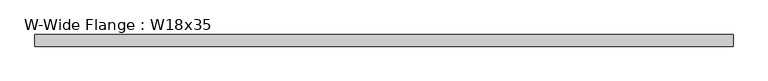
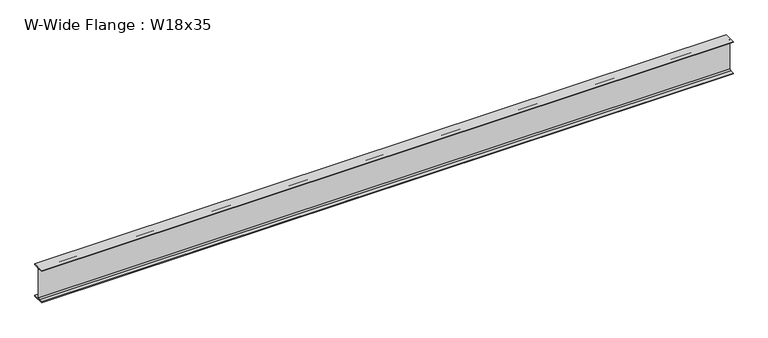
"""IFC4 building model written with IfcOpenShell, lengths in millimetres: beam geometry, W-Wide Flange : W18x35."""

import ifcopenshell
import ifcopenshell.guid

model = None  # the IFC model being written
_history = None  # IfcOwnerHistory: only IFC2X3 demands one
_inside = {}  # id of a spatial element -> (the spatial element, [elements in it])
_under = {}  # id of a project, library or spatial element -> (it, [spatial elements below it])
_declared = {}  # id of a project -> (the project, [libraries it declares])
_typed = {}  # id of a type object -> (the type object, [elements of that type])
_made_of = {}  # id of a material, layer set ... -> (it, [elements and type objects made of it])


def new_model(schema):
    """Start an empty IFC model of exactly this schema.

    Asked for "IFC4X3", IfcOpenShell would pick the latest addendum, in which some entities
    have other attributes; the version numbers below select the first issue.
    IFC2X3 requires an IfcOwnerHistory on every rooted entity: one is made here for all.
    """
    global model, _history
    if schema == "IFC4X3":
        model = ifcopenshell.file(schema_version=(4, 3, 0, 0))
    else:
        model = ifcopenshell.file(schema=schema)
    _inside.clear()
    _under.clear()
    _declared.clear()
    _typed.clear()
    _made_of.clear()
    _history = None
    if model.schema == "IFC2X3":
        org = make("IfcOrganization", Name="unknown")
        user = make(
            "IfcPersonAndOrganization",
            ThePerson=make("IfcPerson", FamilyName="unknown"),
            TheOrganization=org,
        )
        app = make(
            "IfcApplication",
            ApplicationDeveloper=org,
            Version="unknown",
            ApplicationFullName="unknown",
            ApplicationIdentifier="unknown",
        )
        _history = make(
            "IfcOwnerHistory",
            OwningUser=user,
            OwningApplication=app,
            ChangeAction="ADDED",
            CreationDate=0,
        )
    return model


def make(cls, **values):
    """One entity of the class cls with the attributes given. An attribute that is None is left unset."""
    return model.create_entity(
        cls, **{name: value for name, value in values.items() if value is not None}
    )


def rooted(cls, **values):
    """An entity with a GlobalId (a new one), such as an element, a storey or a relation."""
    return make(cls, GlobalId=ifcopenshell.guid.new(), OwnerHistory=_history, **values)


def si_unit(unit_type, name, prefix=None):
    """IfcSIUnit, for example si_unit("LENGTHUNIT", "METRE", prefix="MILLI")."""
    return make("IfcSIUnit", UnitType=unit_type, Prefix=prefix, Name=name)


def assignment(units):
    """IfcUnitAssignment: the units of a project."""
    return None if units is None else make("IfcUnitAssignment", Units=units)


def point(xyz):
    """IfcCartesianPoint."""
    return None if xyz is None else make("IfcCartesianPoint", Coordinates=xyz)


def direction(xyz):
    """IfcDirection."""
    return None if xyz is None else make("IfcDirection", DirectionRatios=xyz)


def frame(location, z_axis=None, x_axis=None):
    """IfcAxis2Placement3D, a coordinate frame: its origin and axes. An axis left out is left unset."""
    return make(
        "IfcAxis2Placement3D",
        Location=point(location),
        Axis=direction(z_axis),
        RefDirection=direction(x_axis),
    )


def frame_2d(location, x_axis=None):
    """IfcAxis2Placement2D, a coordinate frame in the plane: its origin and x axis."""
    return make(
        "IfcAxis2Placement2D", Location=point(location), RefDirection=direction(x_axis)
    )


def origin():
    """The frame at (0, 0, 0) with its axes left unset."""
    return frame((0.0, 0.0, 0.0))


def place(relative_to, where):
    """IfcLocalPlacement: puts the frame where relative to a parent placement (None: the world)."""
    return make(
        "IfcLocalPlacement", PlacementRelTo=relative_to, RelativePlacement=where
    )


def context(
    kind, dimensions, precision=None, world=None, true_north=None, identifier=None
):
    """IfcGeometricRepresentationContext, for example the 3D "Model" context."""
    return make(
        "IfcGeometricRepresentationContext",
        ContextIdentifier=identifier,
        ContextType=kind,
        CoordinateSpaceDimension=dimensions,
        Precision=precision,
        WorldCoordinateSystem=world,
        TrueNorth=true_north,
    )


def project(units=None, contexts=None):
    """IfcProject with its units and contexts."""
    return rooted(
        "IfcProject",
        Name="project",
        RepresentationContexts=contexts,
        UnitsInContext=assignment(units),
    )


def spatial(cls, under=None, at=None, **own):
    """A site, building, storey or space (cls), placed at a placement, below another one or the project."""
    s = rooted(cls, ObjectPlacement=at, **own)
    if under is not None:
        _under.setdefault(under.id(), (under, []))[1].append(s)
    return s


def polyline(points):
    """IfcPolyline through the points."""
    return make("IfcPolyline", Points=[point(p) for p in points])


def circle_curve(where, radius):
    """IfcCircle in the frame where."""
    return make("IfcCircle", Position=where, Radius=radius)


def trimmed(basis, trim1, trim2, sense, master):
    """IfcTrimmedCurve: the piece of a basis curve between two trims."""
    return make(
        "IfcTrimmedCurve",
        BasisCurve=basis,
        Trim1=trim1,
        Trim2=trim2,
        SenseAgreement=sense,
        MasterRepresentation=master,
    )


def segment(curve, same_sense, transition):
    """IfcCompositeCurveSegment."""
    return make(
        "IfcCompositeCurveSegment",
        Transition=transition,
        SameSense=same_sense,
        ParentCurve=curve,
    )


def composite_curve(segments, self_intersect=None):
    """IfcCompositeCurve: segments joined end to end."""
    return make("IfcCompositeCurve", Segments=segments, SelfIntersect=self_intersect)


def outline(outer, holes=None, kind="AREA"):
    """IfcArbitraryClosedProfileDef: a profile drawn as a closed curve; with holes, ...WithVoids."""
    if holes is None:
        return make("IfcArbitraryClosedProfileDef", ProfileType=kind, OuterCurve=outer)
    return make(
        "IfcArbitraryProfileDefWithVoids",
        ProfileType=kind,
        OuterCurve=outer,
        InnerCurves=holes,
    )


def extrude(swept, where, along, depth):
    """IfcExtrudedAreaSolid: the profile swept, set in the frame where, extruded along a direction by depth."""
    return make(
        "IfcExtrudedAreaSolid",
        SweptArea=swept,
        Position=where,
        ExtrudedDirection=direction(along),
        Depth=depth,
    )


def shape(context_of_items, identifier, shape_type, items):
    """IfcShapeRepresentation: the items that make up one representation, for example the "Body"."""
    return make(
        "IfcShapeRepresentation",
        ContextOfItems=context_of_items,
        RepresentationIdentifier=identifier,
        RepresentationType=shape_type,
        Items=items,
    )


def source(mapping_origin, context_of_items, identifier, shape_type, items):
    """IfcRepresentationMap: a shape defined once, which mapped items show again and again."""
    return make(
        "IfcRepresentationMap",
        MappingOrigin=mapping_origin,
        MappedRepresentation=shape(context_of_items, identifier, shape_type, items),
    )


def transform(
    local_origin,
    x_axis=None,
    y_axis=None,
    z_axis=None,
    scale=None,
    scale2=None,
    scale3=None,
    uniform=True,
):
    """IfcCartesianTransformationOperator3D, or its non-uniform kind. x_axis, y_axis, z_axis: its Axis1, 2, 3."""
    if uniform:
        return make(
            "IfcCartesianTransformationOperator3D",
            Axis1=direction(x_axis),
            Axis2=direction(y_axis),
            LocalOrigin=point(local_origin),
            Scale=scale,
            Axis3=direction(z_axis),
        )
    return make(
        "IfcCartesianTransformationOperator3DnonUniform",
        Axis1=direction(x_axis),
        Axis2=direction(y_axis),
        LocalOrigin=point(local_origin),
        Scale=scale,
        Axis3=direction(z_axis),
        Scale2=scale2,
        Scale3=scale3,
    )


def mapped(mapping_source, mapping_target):
    """IfcMappedItem: shows the shape of a source again, moved by a transform."""
    return make(
        "IfcMappedItem", MappingSource=mapping_source, MappingTarget=mapping_target
    )


def made_of(thing, what):
    """Note that an element or type object is made of a material, layer set ...; save() writes the relation."""
    if what is not None:
        _made_of.setdefault(what.id(), (what, []))[1].append(thing)
    return thing


def element(
    cls,
    number,
    at=None,
    inside=None,
    cuts=None,
    type_object=None,
    material=None,
    context=None,
    identifier="Body",
    shape_type=None,
    held_by="IfcProductDefinitionShape",
    body=None,
    shapes=None,
    **own,
):
    """One element of the class cls, such as IfcWall. Its Tag is "e" and its number.

    at: its placement. inside: the storey or other place that contains it. cuts: it is an
    opening in that element (IfcRelVoidsElement). A single representation is given by context,
    identifier, shape_type and body (its items); several are given by shapes. held_by: the class
    of the entity that holds the representations. save() writes the other relations.
    """
    e = rooted(cls, Tag="e%d" % number, ObjectPlacement=at, **own)
    if body is not None:
        shapes = [shape(context, identifier, shape_type, body)]
    if shapes is not None:
        e.Representation = make(held_by, Representations=shapes)
    if inside is not None:
        _inside.setdefault(inside.id(), (inside, []))[1].append(e)
    if cuts is not None:
        rooted(
            "IfcRelVoidsElement", RelatingBuildingElement=cuts, RelatedOpeningElement=e
        )
    if type_object is not None:
        _typed.setdefault(type_object.id(), (type_object, []))[1].append(e)
    return made_of(e, material)


def aggregate(whole, parts):
    """IfcRelAggregates: a whole, such as a stair, and the parts it consists of."""
    return rooted("IfcRelAggregates", RelatingObject=whole, RelatedObjects=parts)


def save(model, path):
    """Write the relations noted so far, then the file.

    IfcRelAggregates (storeys below a building ...), IfcRelContainedInSpatialStructure (elements
    in a storey), IfcRelDefinesByType, IfcRelAssociatesMaterial and IfcRelDeclares: one each for
    every whole, place, type object, material and project.
    """
    for whole, parts in _under.values():
        aggregate(whole, parts)
    for where, things in _inside.values():
        rooted(
            "IfcRelContainedInSpatialStructure",
            RelatedElements=things,
            RelatingStructure=where,
        )
    for kind, things in _typed.values():
        rooted("IfcRelDefinesByType", RelatedObjects=things, RelatingType=kind)
    for what, things in _made_of.values():
        rooted("IfcRelAssociatesMaterial", RelatedObjects=things, RelatingMaterial=what)
    for by, libraries in _declared.values():
        rooted("IfcRelDeclares", RelatingContext=by, RelatedDefinitions=libraries)
    model.write(path)


def w_wide_flange_w18x35_10dbc7a1(model_context):
    return source(origin(), model_context, "Body", "SweptSolid", [
        extrude(outline(composite_curve([segment(polyline([(76.2, -213.995), (76.2, -224.79), (-76.2, -224.79), (-76.2, -213.995), (-21.59, -213.995)]), True, "CONTINUOUS"), segment(trimmed(circle_curve(frame_2d((-21.59, -196.215)), 17.78), [point((-21.59, -213.995))], [point((-3.81, -196.215))], True, "CARTESIAN"), True, "CONTINUOUS"), segment(polyline([(-3.81, -196.215), (-3.81, 196.215)]), True, "CONTINUOUS"), segment(trimmed(circle_curve(frame_2d((-21.59, 196.215)), 17.78), [point((-3.81, 196.215))], [point((-21.59, 213.995))], True, "CARTESIAN"), True, "CONTINUOUS"), segment(polyline([(-21.59, 213.995), (-76.2, 213.995), (-76.2, 224.79), (76.2, 224.79), (76.2, 213.995), (21.59, 213.995)]), True, "CONTINUOUS"), segment(trimmed(circle_curve(frame_2d((21.59, 196.215)), 17.78), [point((21.59, 213.995))], [point((3.81, 196.215))], True, "CARTESIAN"), True, "CONTINUOUS"), segment(polyline([(3.81, 196.215), (3.81, -196.215)]), True, "CONTINUOUS"), segment(trimmed(circle_curve(frame_2d((21.59, -196.215)), 17.78), [point((3.81, -196.215))], [point((21.59, -213.995))], True, "CARTESIAN"), True, "CONTINUOUS"), segment(polyline([(21.59, -213.995), (76.2, -213.995)]), True, "CONTINUOUS")], self_intersect=False)), frame((-4560.6148212, 0.0, 0.0), z_axis=(1.0, 0.0, 0.0), x_axis=(0.0, 1.0, 0.0)), (0.0, 0.0, 1.0), 9121.2296424),
    ])


if __name__ == "__main__":
    model = new_model("IFC4")
    model_context = context("Model", 3, world=origin())
    ifc_project = project(units=[si_unit("LENGTHUNIT", "METRE", prefix="MILLI")], contexts=[model_context])
    site = spatial("IfcSite", under=ifc_project)
    building = spatial("IfcBuilding", under=site)
    placement = place(None, origin())
    w_wide_flange_w18x35_shape = w_wide_flange_w18x35_10dbc7a1(model_context)
    element("IfcBeam", 1, ObjectType="W-Wide Flange : W18x35", at=placement, inside=building, context=model_context, shape_type="MappedRepresentation", body=[
        mapped(w_wide_flange_w18x35_shape, transform((0.0, 0.0, 0.0), x_axis=(1.0, 0.0, 0.0), y_axis=(0.0, 1.0, 0.0), z_axis=(0.0, 0.0, 1.0))),
    ])
    save(model, "model.ifc")
